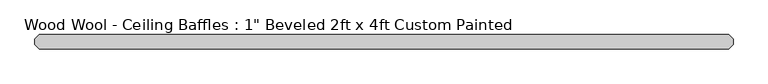
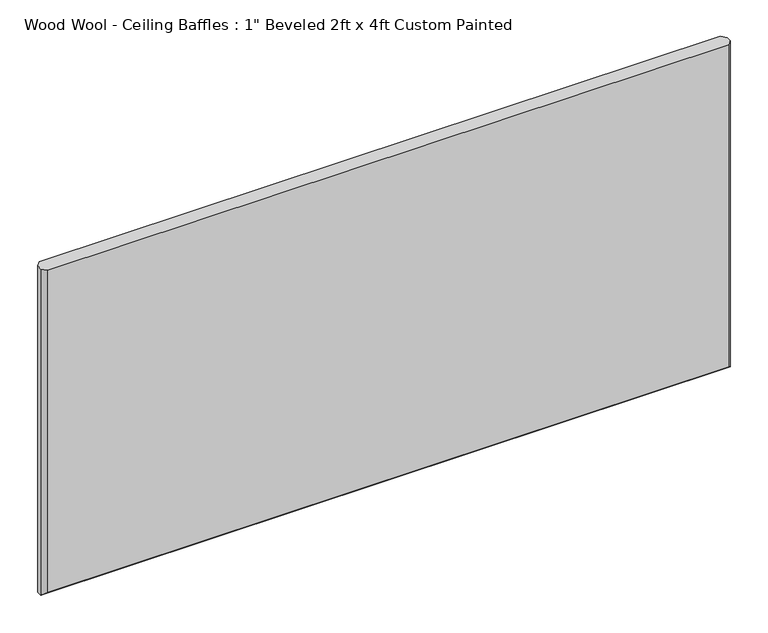
"""IFC4 building model written with IfcOpenShell, lengths in millimetres: proxy geometry."""

from ifc_helpers import new_model, si_unit, origin, place, context, project, spatial, faceted_brep, source, transform, mapped, element, save


def proxy_b7094cd7(model_context):
    return source(origin(), model_context, "Body", "Brep", [
        faceted_brep([(601.599, -25.4, 609.6), (-601.599, -25.4, 609.6), (-601.599, -25.4, 8.001), (601.599, -25.4, 8.001), (-601.599, 0.0, 609.6), (601.599, 0.0, 609.6), (601.599, 0.0, 8.001), (-601.599, 0.0, 8.001), (609.6, -17.399, 609.6), (609.6, -17.399, 0.0), (609.6, -8.001, 0.0), (609.6, -8.001, 609.6), (-609.6, -8.001, 609.6), (-609.6, -17.399, 609.6), (-609.6, -17.399, 0.0), (-609.6, -8.001, 0.0)], [[[0, 1, 2, 3]], [[4, 5, 6, 7]], [[8, 9, 10, 11]], [[1, 0, 8, 11, 5, 4, 12, 13]], [[14, 13, 12, 15]], [[9, 14, 15, 10]], [[9, 3, 2, 14]], [[3, 9, 8, 0]], [[14, 2, 1, 13]], [[10, 6, 5, 11]], [[6, 10, 15, 7]], [[7, 15, 12, 4]]]),
    ])


if __name__ == "__main__":
    model = new_model("IFC4")
    model_context = context("Model", 3, world=origin())
    ifc_project = project(units=[si_unit("LENGTHUNIT", "METRE", prefix="MILLI")], contexts=[model_context])
    site = spatial("IfcSite", under=ifc_project)
    building = spatial("IfcBuilding", under=site)
    placement = place(None, origin())
    proxy_shape = proxy_b7094cd7(model_context)
    element("IfcBuildingElementProxy", 1, Name="Wood Wool - Ceiling Baffles : 1\" Beveled 2ft x 4ft Custom Painted", ObjectType="Wood Wool - Ceiling Baffles : 1\" Beveled 2ft x 4ft Custom Painted", at=placement, inside=building, context=model_context, shape_type="MappedRepresentation", body=[
        mapped(proxy_shape, transform((0.0, 0.0, 0.0), x_axis=(1.0, 0.0, 0.0), y_axis=(0.0, 1.0, 0.0), z_axis=(0.0, 0.0, 1.0))),
    ])
    save(model, "model.ifc")
